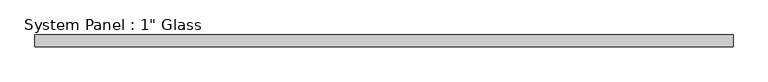
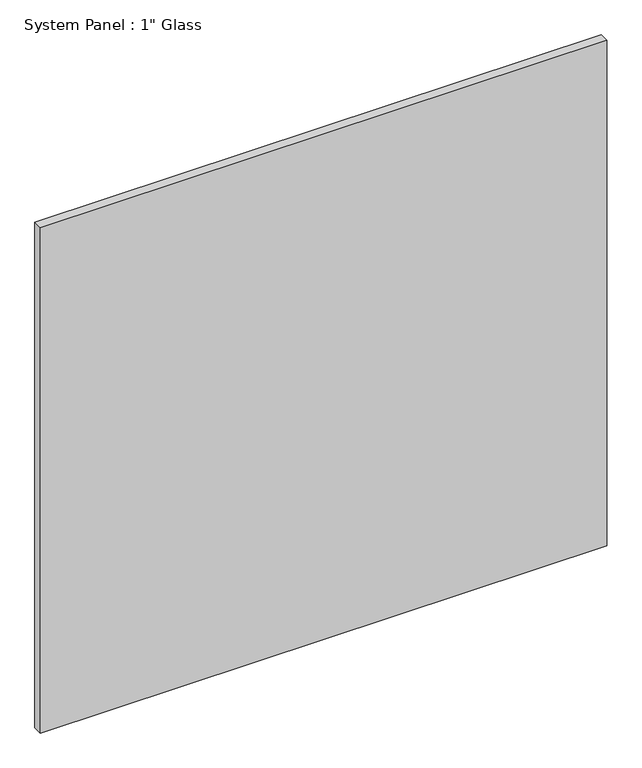
"""IFC4 building model written with IfcOpenShell, lengths in millimetres: plate geometry."""

from ifc_helpers import new_model, si_unit, origin, origin_with_axes, place, context, project, spatial, polyline, outline, extrude, source, transform, mapped, element, save


def plate_6d27c48b(model_context):
    return source(origin(), model_context, "Body", "SweptSolid", [
        extrude(outline(polyline([(746.1258852, -12.7), (-746.1258852, -12.7), (-746.1258852, 12.7), (746.1258852, 12.7), (746.1258852, -12.7)])), origin_with_axes(), (0.0, 0.0, 1.0), 1407.0511731),
    ])


if __name__ == "__main__":
    model = new_model("IFC4")
    model_context = context("Model", 3, world=origin())
    ifc_project = project(units=[si_unit("LENGTHUNIT", "METRE", prefix="MILLI")], contexts=[model_context])
    site = spatial("IfcSite", under=ifc_project)
    building = spatial("IfcBuilding", under=site)
    placement = place(None, origin())
    plate_shape = plate_6d27c48b(model_context)
    element("IfcPlate", 1, ObjectType="System Panel : 1\" Glass", at=placement, inside=building, context=model_context, shape_type="MappedRepresentation", body=[
        mapped(plate_shape, transform((0.0, 0.0, 0.0), x_axis=(1.0, 0.0, 0.0), y_axis=(0.0, 1.0, 0.0), z_axis=(0.0, 0.0, 1.0))),
    ])
    save(model, "model.ifc")
